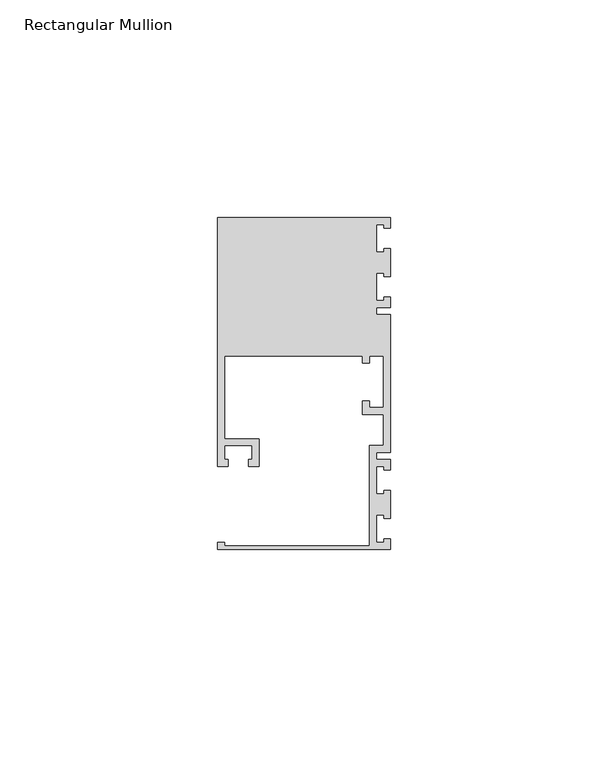
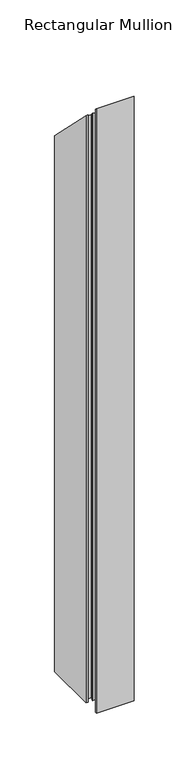
"""IFC4 building model written with IfcOpenShell, lengths in millimetres: member geometry, Rectangular Mullion."""

from ifc_helpers import new_model, si_unit, origin, place, context, project, spatial, faceted_brep, source, transform, mapped, element, save


def rectangular_mullion_bc8239b0(model_context):
    return source(origin(), model_context, "Body", "Brep", [
        faceted_brep([(0.0, -38.1, -635.0), (-39.6875, -38.1, -635.0), (-39.6875, -36.5125, -635.0), (-38.1, -36.5125, -635.0), (-38.1, -37.30625, -635.0), (-4.7625, -37.30625, -635.0), (-4.7625, -14.2875, -635.0), (-1.5875, -14.2875, -635.0), (-1.5875, -7.14375, -635.0), (-6.35, -7.14375, -635.0), (-6.35, -3.96875, -635.0), (-4.7625, -3.96875, -635.0), (-4.7625, -5.55625, -635.0), (-1.5875, -5.55625, -635.0), (-1.5875, 6.35, -635.0), (-4.7625, 6.35, -635.0), (-4.7625, 4.7625, -635.0), (-6.35, 4.7625, -635.0), (-6.35, 6.35, -635.0), (-38.1, 6.35, -635.0), (-38.1, -12.7, -635.0), (-30.1625, -12.7, -635.0), (-30.1625, -19.05, -635.0), (-32.54375, -19.05, -635.0), (-32.54375, -17.4625, -635.0), (-31.75, -17.4625, -635.0), (-31.75, -14.2875, -635.0), (-38.1, -14.2875, -635.0), (-38.1, -17.4625, -635.0), (-37.30625, -17.4625, -635.0), (-37.30625, -19.05, -635.0), (-39.6875, -19.05, -635.0), (-39.6875, 38.1, -635.0), (0.0, 38.1, -635.0), (0.0, 35.71875, -635.0), (-1.4999946, 35.71875, -635.0), (-1.4999946, 36.5125, -635.0), (-3.175, 36.5125, -635.0), (-3.175, 30.1625, -635.0), (-1.4999946, 30.1625, -635.0), (-1.4999946, 30.95625, -635.0), (0.0, 30.95625, -635.0), (0.0, 24.60625, -635.0), (-1.4999946, 24.60625, -635.0), (-1.4999946, 25.4, -635.0), (-3.175, 25.4, -635.0), (-3.175, 19.05, -635.0), (-1.4999946, 19.05, -635.0), (-1.4999946, 19.84375, -635.0), (0.0, 19.84375, -635.0), (0.0, 17.4625, -635.0), (-3.175, 17.4625, -635.0), (-3.175, 15.875, -635.0), (0.0, 15.875, -635.0), (0.0, -15.875, -635.0), (-3.175, -15.875, -635.0), (-3.175, -17.4625, -635.0), (0.0, -17.4625, -635.0), (0.0, -19.84375, -635.0), (-1.4999946, -19.84375, -635.0), (-1.4999946, -19.05, -635.0), (-3.175, -19.05, -635.0), (-3.175, -25.4, -635.0), (-1.4999946, -25.4, -635.0), (-1.4999946, -24.60625, -635.0), (0.0, -24.60625, -635.0), (0.0, -30.95625, -635.0), (-1.4999946, -30.95625, -635.0), (-1.4999946, -30.1625, -635.0), (-3.175, -30.1625, -635.0), (-3.175, -36.5125, -635.0), (-1.4999946, -36.5125, -635.0), (-1.4999946, -35.71875, -635.0), (0.0, -35.71875, -635.0), (0.0, -35.71875, 35.71875), (0.0, -38.1, 38.1), (-1.4999946, -35.71875, 35.71875), (-1.4999946, -36.5125, 36.5125), (-3.175, -36.5125, 36.5125), (-3.175, -30.1625, 30.1625), (-1.4999946, -30.1625, 30.1625), (-1.4999946, -30.95625, 30.95625), (0.0, -30.95625, 30.95625), (0.0, -24.60625, 24.60625), (-1.4999946, -24.60625, 24.60625), (-1.4999946, -25.4, 25.4), (-3.175, -25.4, 25.4), (-3.175, -19.05, 19.05), (-1.4999946, -19.05, 19.05), (-1.4999946, -19.84375, 19.84375), (0.0, -19.84375, 19.84375), (0.0, -17.4625, 17.4625), (-3.175, -17.4625, 17.4625), (-3.175, -15.875, 15.875), (0.0, -15.875, 15.875), (0.0, 15.875, -15.875), (-3.175, 15.875, -15.875), (-3.175, 17.4625, -17.4625), (0.0, 17.4625, -17.4625), (0.0, 19.84375, -19.84375), (-1.4999946, 19.84375, -19.84375), (-1.4999946, 19.05, -19.05), (-3.175, 19.05, -19.05), (-3.175, 25.4, -25.4), (-1.4999946, 25.4, -25.4), (-1.4999946, 24.60625, -24.60625), (0.0, 24.60625, -24.60625), (0.0, 30.95625, -30.95625), (-1.4999946, 30.95625, -30.95625), (-1.4999946, 30.1625, -30.1625), (-3.175, 30.1625, -30.1625), (-3.175, 36.5125, -36.5125), (-1.4999946, 36.5125, -36.5125), (-1.4999946, 35.71875, -35.71875), (0.0, 35.71875, -35.71875), (0.0, 38.1, -38.1), (-39.6875, 38.1, -38.1), (-39.6875, -19.05, 19.05), (-37.30625, -19.05, 19.05), (-37.30625, -17.4625, 17.4625), (-38.1, -17.4625, 17.4625), (-38.1, -14.2875, 14.2875), (-31.75, -14.2875, 14.2875), (-31.75, -17.4625, 17.4625), (-32.54375, -17.4625, 17.4625), (-32.54375, -19.05, 19.05), (-30.1625, -19.05, 19.05), (-30.1625, -12.7, 12.7), (-38.1, -12.7, 12.7), (-38.1, 6.35, -6.35), (-6.35, 6.35, -6.35), (-6.35, 4.7625, -4.7625), (-4.7625, 4.7625, -4.7625), (-4.7625, 6.35, -6.35), (-1.5875, 6.35, -6.35), (-1.5875, -5.55625, 5.55625), (-4.7625, -5.55625, 5.55625), (-4.7625, -3.96875, 3.96875), (-6.35, -3.96875, 3.96875), (-6.35, -7.14375, 7.14375), (-1.5875, -7.14375, 7.14375), (-1.5875, -14.2875, 14.2875), (-4.7625, -14.2875, 14.2875), (-4.7625, -37.30625, 37.30625), (-38.1, -37.30625, 37.30625), (-38.1, -36.5125, 36.5125), (-39.6875, -36.5125, 36.5125), (-39.6875, -38.1, 38.1)], [[[0, 1, 2, 3, 4, 5, 6, 7, 8, 9, 10, 11, 12, 13, 14, 15, 16, 17, 18, 19, 20, 21, 22, 23, 24, 25, 26, 27, 28, 29, 30, 31, 32, 33, 34, 35, 36, 37, 38, 39, 40, 41, 42, 43, 44, 45, 46, 47, 48, 49, 50, 51, 52, 53, 54, 55, 56, 57, 58, 59, 60, 61, 62, 63, 64, 65, 66, 67, 68, 69, 70, 71, 72, 73]], [[74, 75, 0, 73]], [[76, 74, 73, 72]], [[77, 76, 72, 71]], [[78, 77, 71, 70]], [[79, 78, 70, 69]], [[80, 79, 69, 68]], [[81, 80, 68, 67]], [[82, 81, 67, 66]], [[83, 82, 66, 65]], [[84, 83, 65, 64]], [[85, 84, 64, 63]], [[86, 85, 63, 62]], [[87, 86, 62, 61]], [[88, 87, 61, 60]], [[89, 88, 60, 59]], [[90, 89, 59, 58]], [[91, 90, 58, 57]], [[92, 91, 57, 56]], [[93, 92, 56, 55]], [[94, 93, 55, 54]], [[95, 94, 54, 53]], [[96, 95, 53, 52]], [[97, 96, 52, 51]], [[98, 97, 51, 50]], [[99, 98, 50, 49]], [[100, 99, 49, 48]], [[101, 100, 48, 47]], [[102, 101, 47, 46]], [[103, 102, 46, 45]], [[104, 103, 45, 44]], [[105, 104, 44, 43]], [[106, 105, 43, 42]], [[107, 106, 42, 41]], [[108, 107, 41, 40]], [[109, 108, 40, 39]], [[110, 109, 39, 38]], [[111, 110, 38, 37]], [[112, 111, 37, 36]], [[113, 112, 36, 35]], [[114, 113, 35, 34]], [[115, 114, 34, 33]], [[116, 115, 33, 32]], [[117, 116, 32, 31]], [[118, 117, 31, 30]], [[119, 118, 30, 29]], [[120, 119, 29, 28]], [[121, 120, 28, 27]], [[122, 121, 27, 26]], [[123, 122, 26, 25]], [[124, 123, 25, 24]], [[125, 124, 24, 23]], [[126, 125, 23, 22]], [[127, 126, 22, 21]], [[128, 127, 21, 20]], [[129, 128, 20, 19]], [[130, 129, 19, 18]], [[131, 130, 18, 17]], [[132, 131, 17, 16]], [[133, 132, 16, 15]], [[134, 133, 15, 14]], [[135, 134, 14, 13]], [[136, 135, 13, 12]], [[137, 136, 12, 11]], [[138, 137, 11, 10]], [[139, 138, 10, 9]], [[140, 139, 9, 8]], [[141, 140, 8, 7]], [[142, 141, 7, 6]], [[143, 142, 6, 5]], [[144, 143, 5, 4]], [[145, 144, 4, 3]], [[146, 145, 3, 2]], [[147, 146, 2, 1]], [[75, 147, 1, 0]], [[75, 74, 76, 77, 78, 79, 80, 81, 82, 83, 84, 85, 86, 87, 88, 89, 90, 91, 92, 93, 94, 95, 96, 97, 98, 99, 100, 101, 102, 103, 104, 105, 106, 107, 108, 109, 110, 111, 112, 113, 114, 115, 116, 117, 118, 119, 120, 121, 122, 123, 124, 125, 126, 127, 128, 129, 130, 131, 132, 133, 134, 135, 136, 137, 138, 139, 140, 141, 142, 143, 144, 145, 146, 147]]]),
    ])


if __name__ == "__main__":
    model = new_model("IFC4")
    model_context = context("Model", 3, world=origin())
    ifc_project = project(units=[si_unit("LENGTHUNIT", "METRE", prefix="MILLI")], contexts=[model_context])
    site = spatial("IfcSite", under=ifc_project)
    building = spatial("IfcBuilding", under=site)
    placement = place(None, origin())
    rectangular_mullion_shape = rectangular_mullion_bc8239b0(model_context)
    element("IfcMember", 1, ObjectType="Rectangular Mullion", at=placement, inside=building, context=model_context, shape_type="MappedRepresentation", body=[
        mapped(rectangular_mullion_shape, transform((0.0, 0.0, 0.0), x_axis=(1.0, 0.0, 0.0), y_axis=(0.0, 1.0, 0.0), z_axis=(0.0, 0.0, 1.0))),
    ])
    save(model, "model.ifc")
